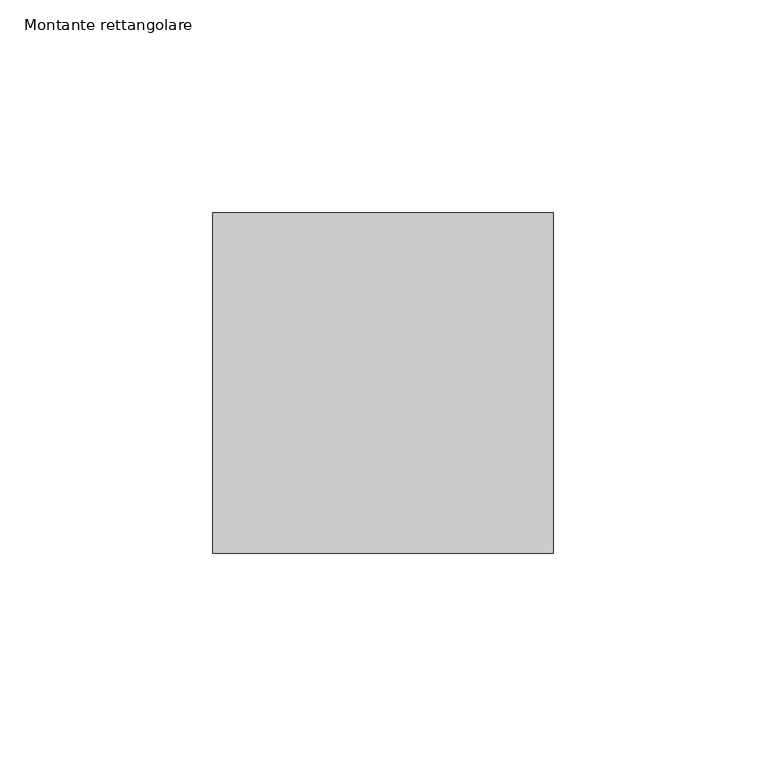
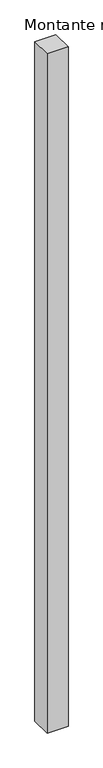
"""IFC4 building model written with IfcOpenShell, lengths in millimetres: member geometry, Montante rettangolare."""

from ifc_helpers import new_model, si_unit, frame, origin, place, context, project, spatial, polyline, outline, extrude, source, transform, mapped, element, save


def montante_rettangolare_a817dc74(model_context):
    return source(origin(), model_context, "Body", "SweptSolid", [
        extrude(outline(polyline([(0.0, 40.0), (0.0, -40.0), (-80.0, -40.0), (-80.0, 40.0), (0.0, 40.0)])), frame((0.0, 0.0, -2730.5985952), z_axis=(0.0, 0.0, 1.0), x_axis=(1.0, 0.0, 0.0)), (0.0, 0.0, 1.0), 2730.5985952),
    ])


if __name__ == "__main__":
    model = new_model("IFC4")
    model_context = context("Model", 3, world=origin())
    ifc_project = project(units=[si_unit("LENGTHUNIT", "METRE", prefix="MILLI")], contexts=[model_context])
    site = spatial("IfcSite", under=ifc_project)
    building = spatial("IfcBuilding", under=site)
    placement = place(None, origin())
    montante_rettangolare_shape = montante_rettangolare_a817dc74(model_context)
    element("IfcMember", 1, ObjectType="Montante rettangolare", at=placement, inside=building, context=model_context, shape_type="MappedRepresentation", body=[
        mapped(montante_rettangolare_shape, transform((0.0, 0.0, 0.0), x_axis=(1.0, 0.0, 0.0), y_axis=(0.0, 1.0, 0.0), z_axis=(0.0, 0.0, 1.0))),
    ])
    save(model, "model.ifc")
